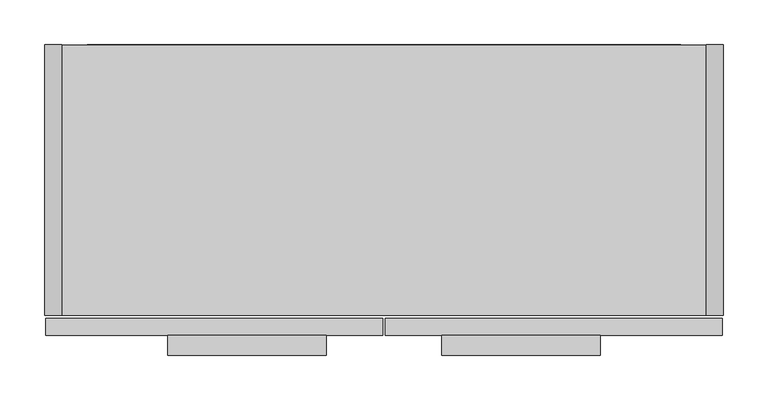
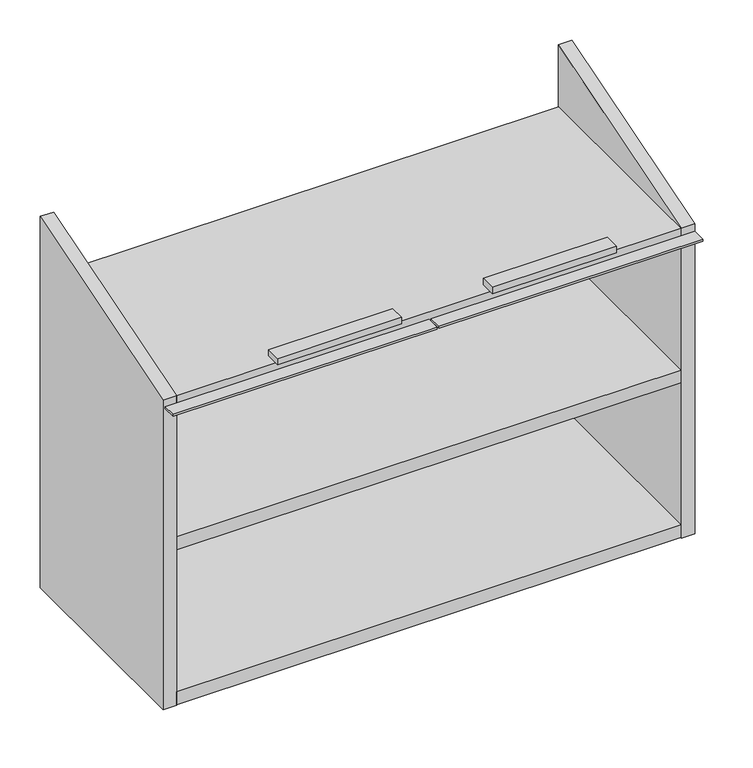
"""IFC4 building model written with IfcOpenShell, lengths in millimetres: furniture geometry."""

from ifc_helpers import new_model, si_unit, frame, origin, place, context, project, spatial, polyline, outline, extrude, faceted_brep, source, transform, mapped, element, save


def furniture_a5425151(model_context):
    return source(origin(), model_context, "Body", "SolidModel", [
        extrude(outline(polyline([(623.8875, -349.25), (446.0875, -349.25), (446.0875, -327.025), (623.8875, -327.025), (623.8875, -349.25)])), frame((0.0, 0.0, 1898.0531), z_axis=(0.0, 0.0, 1.0), x_axis=(1.0, 0.0, 0.0)), (0.0, 0.0, 1.0), 9.525),
        extrude(outline(polyline([(315.9125, -349.25), (138.1125, -349.25), (138.1125, -327.025), (315.9125, -327.025), (315.9125, -349.25)])), frame((0.0, 0.0, 1898.0531), z_axis=(0.0, 0.0, 1.0), x_axis=(1.0, 0.0, 0.0)), (0.0, 0.0, 1.0), 9.525),
        extrude(outline(polyline([(760.4125, -327.025), (382.5875, -327.025), (382.5875, -307.721), (760.4125, -307.721), (760.4125, -327.025)])), frame((0.0, 0.0, 1854.2), z_axis=(0.0, 0.0, 1.0), x_axis=(1.0, 0.0, 0.0)), (0.0, 0.0, 1.0), 2.9971999),
        extrude(outline(polyline([(379.4125, -327.025), (1.5875, -327.025), (1.5875, -307.721), (379.4125, -307.721), (379.4125, -327.025)])), frame((0.0, 0.0, 1854.2), z_axis=(0.0, 0.0, 1.0), x_axis=(1.0, 0.0, 0.0)), (0.0, 0.0, 1.0), 2.9971999),
        faceted_brep([(742.696, -304.546, 1397.0), (762.0, -304.546, 1397.0), (762.0, -304.546, 1865.9094), (742.696, -304.546, 1865.9094), (762.0, 0.0, 1959.2544), (762.0, 0.0, 1397.0), (742.696, 0.0, 1397.0), (742.696, 0.0, 1959.2544)], [[[0, 1, 2, 3]], [[4, 5, 6, 7]], [[7, 6, 0, 3]], [[1, 0, 6, 5]], [[5, 4, 2, 1]], [[3, 2, 4, 7]]]),
        faceted_brep([(0.0, -304.546, 1397.0), (19.304, -304.546, 1397.0), (19.304, -304.546, 1865.9094), (0.0, -304.546, 1865.9094), (19.304, 0.0, 1959.2544), (19.304, 0.0, 1397.0), (0.0, 0.0, 1397.0), (0.0, 0.0, 1959.2544)], [[[0, 1, 2, 3]], [[4, 5, 6, 7]], [[7, 6, 0, 3]], [[1, 0, 6, 5]], [[5, 4, 2, 1]], [[3, 2, 4, 7]]]),
        extrude(outline(polyline([(742.061, -304.546), (19.939, -304.546), (19.939, -31.242), (742.061, -31.242), (742.061, -304.546)])), frame((0.0, 0.0, 1632.3564), z_axis=(0.0, 0.0, 1.0), x_axis=(1.0, 0.0, 0.0)), (0.0, 0.0, 1.0), 19.304),
        extrude(outline(polyline([(742.696, -304.546), (19.304, -304.546), (19.304, -0.9906), (742.696, -0.9906), (742.696, -304.546)])), frame((0.0, 0.0, 1397.9906), z_axis=(0.0, 0.0, 1.0), x_axis=(1.0, 0.0, 0.0)), (0.0, 0.0, 1.0), 19.304),
        extrude(outline(polyline([(742.696, -11.938), (742.696, -31.242), (19.304, -31.242), (19.304, -11.938), (742.696, -11.938)])), frame((0.0, 0.0, 1417.2946), z_axis=(0.0, 0.0, 1.0), x_axis=(1.0, 0.0, 0.0)), (0.0, 0.0, 1.0), 429.3108),
        extrude(outline(polyline([(742.696, -304.546), (19.304, -304.546), (19.304, -0.9906), (742.696, -0.9906), (742.696, -304.546)])), frame((0.0, 0.0, 1846.6054), z_axis=(0.0, 0.0, 1.0), x_axis=(1.0, 0.0, 0.0)), (0.0, 0.0, 1.0), 19.304),
        extrude(outline(polyline([(-11.938, 1782.9867471), (-11.938, 1846.6054), (0.0, 1846.6054), (0.0, 1762.3095168), (-11.938, 1782.9867471)])), frame((48.0060087, 0.0, 0.0), z_axis=(1.0, 0.0, 0.0), x_axis=(0.0, 1.0, 0.0)), (0.0, 0.0, 1.0), 665.9879826),
    ])


if __name__ == "__main__":
    model = new_model("IFC4")
    model_context = context("Model", 3, world=origin())
    ifc_project = project(units=[si_unit("LENGTHUNIT", "METRE", prefix="MILLI")], contexts=[model_context])
    site = spatial("IfcSite", under=ifc_project)
    building = spatial("IfcBuilding", under=site)
    placement = place(None, origin())
    furniture_shape = furniture_a5425151(model_context)
    element("IfcFurniture", 1, at=placement, inside=building, context=model_context, shape_type="MappedRepresentation", body=[
        mapped(furniture_shape, transform((0.0, 0.0, 0.0), x_axis=(1.0, 0.0, 0.0), y_axis=(0.0, 1.0, 0.0), z_axis=(0.0, 0.0, 1.0))),
    ])
    save(model, "model.ifc")
